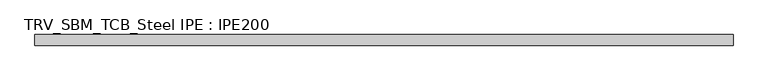
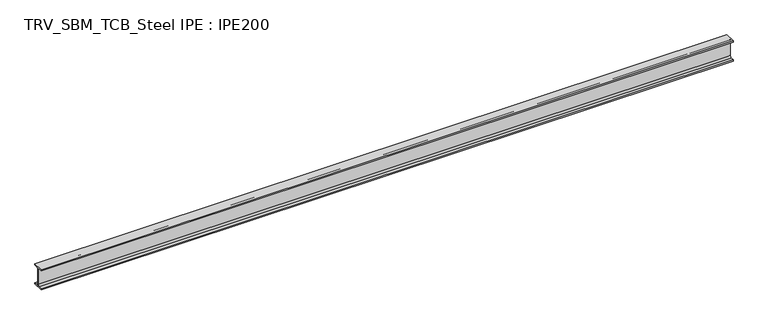
"""IFC4 building model written with IfcOpenShell, lengths in millimetres: beam geometry, TRV_SBM_TCB_Steel IPE : IPE200."""

from ifc_helpers import new_model, si_unit, point, frame, frame_2d, origin, place, context, project, spatial, polyline, circle_curve, trimmed, segment, composite_curve, outline, extrude, source, transform, mapped, element, save


def trv_sbm_tcb_steel_ipe_ipe200_1ec5847a(model_context):
    return source(origin(), model_context, "Body", "SweptSolid", [
        extrude(outline(composite_curve([segment(polyline([(-50.0, -89.3), (-18.55, -89.3)]), True, "CONTINUOUS"), segment(trimmed(circle_curve(frame_2d((-18.55, -74.3)), 15.0), [point((-18.55, -89.3))], [point((-3.55, -74.3))], True, "CARTESIAN"), True, "CONTINUOUS"), segment(polyline([(-3.55, -74.3), (-3.55, 74.3)]), True, "CONTINUOUS"), segment(trimmed(circle_curve(frame_2d((-18.55, 74.3)), 15.0), [point((-3.55, 74.3))], [point((-18.55, 89.3))], True, "CARTESIAN"), True, "CONTINUOUS"), segment(polyline([(-18.55, 89.3), (-50.0, 89.3), (-50.0, 100.0), (50.0, 100.0), (50.0, 89.3), (18.55, 89.3)]), True, "CONTINUOUS"), segment(trimmed(circle_curve(frame_2d((18.55, 74.3)), 15.0), [point((18.55, 89.3))], [point((3.55, 74.3))], True, "CARTESIAN"), True, "CONTINUOUS"), segment(polyline([(3.55, 74.3), (3.55, -74.3)]), True, "CONTINUOUS"), segment(trimmed(circle_curve(frame_2d((18.55, -74.3)), 15.0), [point((3.55, -74.3))], [point((18.55, -89.3))], True, "CARTESIAN"), True, "CONTINUOUS"), segment(polyline([(18.55, -89.3), (50.0, -89.3), (50.0, -100.0), (-50.0, -100.0), (-50.0, -89.3)]), True, "CONTINUOUS")], self_intersect=False)), frame((-3269.5, 0.0, 0.0), z_axis=(1.0, 0.0, 0.0), x_axis=(0.0, 1.0, 0.0)), (0.0, 0.0, 1.0), 6539.0),
    ])


if __name__ == "__main__":
    model = new_model("IFC4")
    model_context = context("Model", 3, world=origin())
    ifc_project = project(units=[si_unit("LENGTHUNIT", "METRE", prefix="MILLI")], contexts=[model_context])
    site = spatial("IfcSite", under=ifc_project)
    building = spatial("IfcBuilding", under=site)
    placement = place(None, origin())
    trv_sbm_tcb_steel_ipe_ipe200_shape = trv_sbm_tcb_steel_ipe_ipe200_1ec5847a(model_context)
    element("IfcBeam", 1, ObjectType="TRV_SBM_TCB_Steel IPE : IPE200", at=placement, inside=building, context=model_context, shape_type="MappedRepresentation", body=[
        mapped(trv_sbm_tcb_steel_ipe_ipe200_shape, transform((0.0, 0.0, 0.0), x_axis=(1.0, 0.0, 0.0), y_axis=(0.0, 1.0, 0.0), z_axis=(0.0, 0.0, 1.0))),
    ])
    save(model, "model.ifc")
